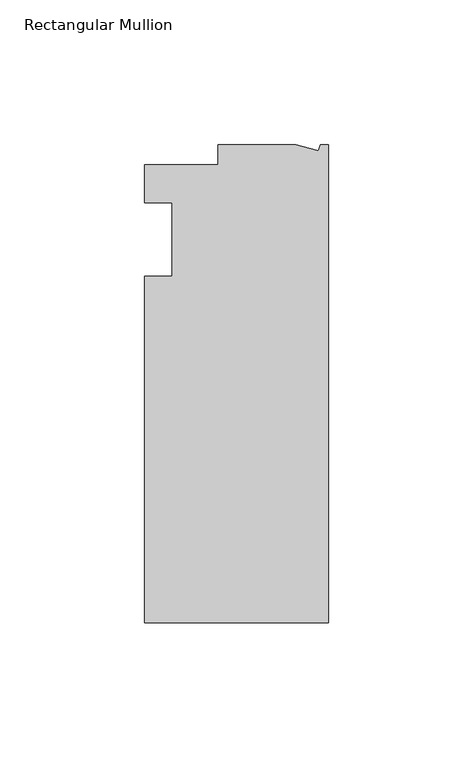
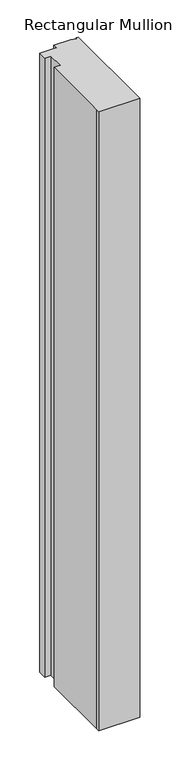
"""IFC4 building model written with IfcOpenShell, lengths in millimetres: member geometry, Rectangular Mullion."""

from ifc_helpers import new_model, si_unit, frame, origin, place, context, project, spatial, polyline, outline, extrude, source, transform, mapped, element, save


def rectangular_mullion_f8abd6fa(model_context):
    return source(origin(), model_context, "Body", "SweptSolid", [
        extrude(outline(polyline([(0.0, -132.5561012), (-63.5, -132.5561012), (-63.5, -126.2061012), (-63.5, -12.8054199), (-53.975, -12.8054199), (-53.975, 12.5945801), (-63.5, 12.5945801), (-63.5, 25.5842988), (-38.1, 25.5842988), (-38.1, 32.5438988), (-11.121847, 32.5438988), (-3.3341886, 30.4622958), (-2.7616541, 32.5438988), (0.0, 32.5438988), (0.0, -132.5561012)])), frame((0.0, 0.0, -1016.0), z_axis=(0.0, 0.0, 1.0), x_axis=(1.0, 0.0, 0.0)), (0.0, 0.0, 1.0), 1016.0),
    ])


if __name__ == "__main__":
    model = new_model("IFC4")
    model_context = context("Model", 3, world=origin())
    ifc_project = project(units=[si_unit("LENGTHUNIT", "METRE", prefix="MILLI")], contexts=[model_context])
    site = spatial("IfcSite", under=ifc_project)
    building = spatial("IfcBuilding", under=site)
    placement = place(None, origin())
    rectangular_mullion_shape = rectangular_mullion_f8abd6fa(model_context)
    element("IfcMember", 1, ObjectType="Rectangular Mullion", at=placement, inside=building, context=model_context, shape_type="MappedRepresentation", body=[
        mapped(rectangular_mullion_shape, transform((0.0, 0.0, 0.0), x_axis=(1.0, 0.0, 0.0), y_axis=(0.0, 1.0, 0.0), z_axis=(0.0, 0.0, 1.0))),
    ])
    save(model, "model.ifc")
